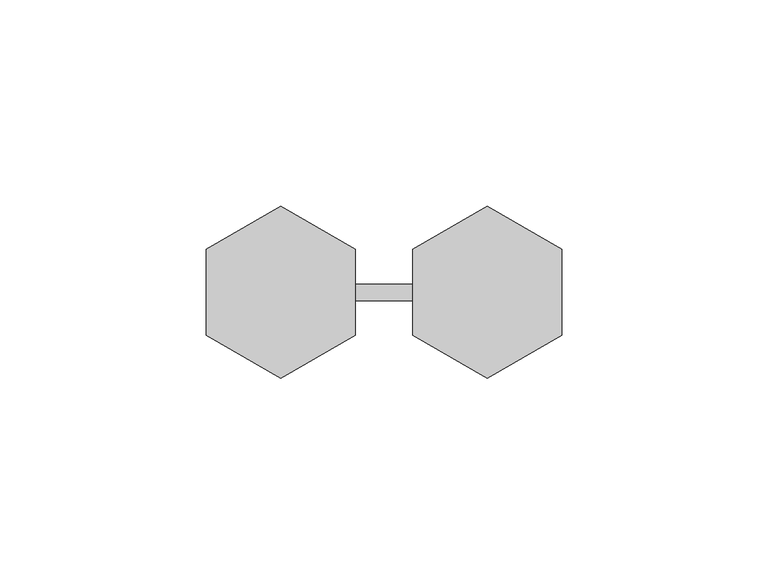
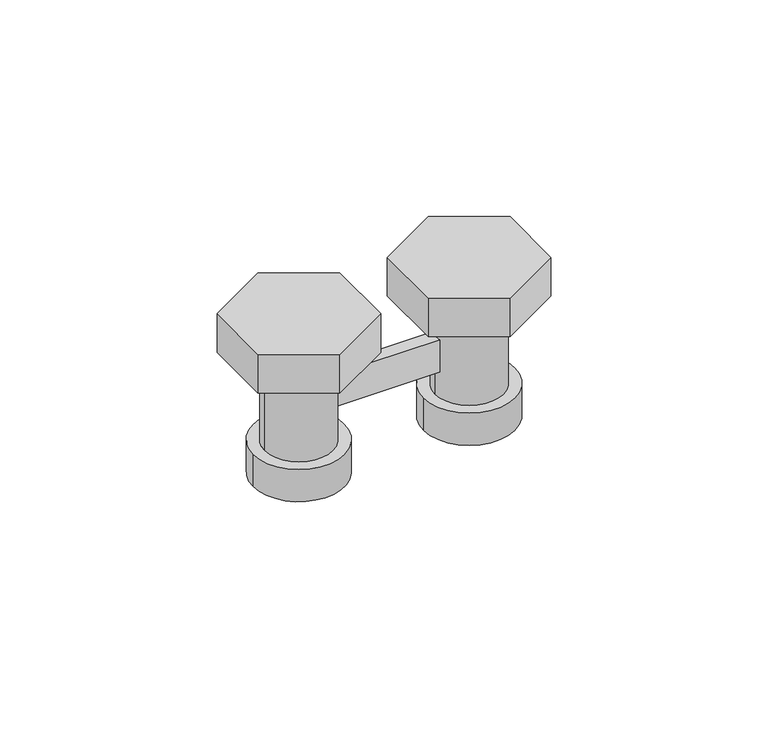
"""IFC4 building model written with IfcOpenShell, lengths in millimetres: proxy geometry."""

import ifcopenshell
import ifcopenshell.guid

model = None  # the IFC model being written
_history = None  # IfcOwnerHistory: only IFC2X3 demands one
_inside = {}  # id of a spatial element -> (the spatial element, [elements in it])
_under = {}  # id of a project, library or spatial element -> (it, [spatial elements below it])
_declared = {}  # id of a project -> (the project, [libraries it declares])
_typed = {}  # id of a type object -> (the type object, [elements of that type])
_made_of = {}  # id of a material, layer set ... -> (it, [elements and type objects made of it])


def new_model(schema):
    """Start an empty IFC model of exactly this schema.

    Asked for "IFC4X3", IfcOpenShell would pick the latest addendum, in which some entities
    have other attributes; the version numbers below select the first issue.
    IFC2X3 requires an IfcOwnerHistory on every rooted entity: one is made here for all.
    """
    global model, _history
    if schema == "IFC4X3":
        model = ifcopenshell.file(schema_version=(4, 3, 0, 0))
    else:
        model = ifcopenshell.file(schema=schema)
    _inside.clear()
    _under.clear()
    _declared.clear()
    _typed.clear()
    _made_of.clear()
    _history = None
    if model.schema == "IFC2X3":
        org = make("IfcOrganization", Name="unknown")
        user = make(
            "IfcPersonAndOrganization",
            ThePerson=make("IfcPerson", FamilyName="unknown"),
            TheOrganization=org,
        )
        app = make(
            "IfcApplication",
            ApplicationDeveloper=org,
            Version="unknown",
            ApplicationFullName="unknown",
            ApplicationIdentifier="unknown",
        )
        _history = make(
            "IfcOwnerHistory",
            OwningUser=user,
            OwningApplication=app,
            ChangeAction="ADDED",
            CreationDate=0,
        )
    return model


def make(cls, **values):
    """One entity of the class cls with the attributes given. An attribute that is None is left unset."""
    return model.create_entity(
        cls, **{name: value for name, value in values.items() if value is not None}
    )


def rooted(cls, **values):
    """An entity with a GlobalId (a new one), such as an element, a storey or a relation."""
    return make(cls, GlobalId=ifcopenshell.guid.new(), OwnerHistory=_history, **values)


def si_unit(unit_type, name, prefix=None):
    """IfcSIUnit, for example si_unit("LENGTHUNIT", "METRE", prefix="MILLI")."""
    return make("IfcSIUnit", UnitType=unit_type, Prefix=prefix, Name=name)


def assignment(units):
    """IfcUnitAssignment: the units of a project."""
    return None if units is None else make("IfcUnitAssignment", Units=units)


def point(xyz):
    """IfcCartesianPoint."""
    return None if xyz is None else make("IfcCartesianPoint", Coordinates=xyz)


def direction(xyz):
    """IfcDirection."""
    return None if xyz is None else make("IfcDirection", DirectionRatios=xyz)


def frame(location, z_axis=None, x_axis=None):
    """IfcAxis2Placement3D, a coordinate frame: its origin and axes. An axis left out is left unset."""
    return make(
        "IfcAxis2Placement3D",
        Location=point(location),
        Axis=direction(z_axis),
        RefDirection=direction(x_axis),
    )


def origin():
    """The frame at (0, 0, 0) with its axes left unset."""
    return frame((0.0, 0.0, 0.0))


def origin_with_axes():
    """The frame at (0, 0, 0) with the z axis (0, 0, 1) and the x axis (1, 0, 0) written out."""
    return frame((0.0, 0.0, 0.0), z_axis=(0.0, 0.0, 1.0), x_axis=(1.0, 0.0, 0.0))


def place(relative_to, where):
    """IfcLocalPlacement: puts the frame where relative to a parent placement (None: the world)."""
    return make(
        "IfcLocalPlacement", PlacementRelTo=relative_to, RelativePlacement=where
    )


def context(
    kind, dimensions, precision=None, world=None, true_north=None, identifier=None
):
    """IfcGeometricRepresentationContext, for example the 3D "Model" context."""
    return make(
        "IfcGeometricRepresentationContext",
        ContextIdentifier=identifier,
        ContextType=kind,
        CoordinateSpaceDimension=dimensions,
        Precision=precision,
        WorldCoordinateSystem=world,
        TrueNorth=true_north,
    )


def project(units=None, contexts=None):
    """IfcProject with its units and contexts."""
    return rooted(
        "IfcProject",
        Name="project",
        RepresentationContexts=contexts,
        UnitsInContext=assignment(units),
    )


def spatial(cls, under=None, at=None, **own):
    """A site, building, storey or space (cls), placed at a placement, below another one or the project."""
    s = rooted(cls, ObjectPlacement=at, **own)
    if under is not None:
        _under.setdefault(under.id(), (under, []))[1].append(s)
    return s


def circle_curve(where, radius):
    """IfcCircle in the frame where."""
    return make("IfcCircle", Position=where, Radius=radius)


def shape(context_of_items, identifier, shape_type, items):
    """IfcShapeRepresentation: the items that make up one representation, for example the "Body"."""
    return make(
        "IfcShapeRepresentation",
        ContextOfItems=context_of_items,
        RepresentationIdentifier=identifier,
        RepresentationType=shape_type,
        Items=items,
    )


def source(mapping_origin, context_of_items, identifier, shape_type, items):
    """IfcRepresentationMap: a shape defined once, which mapped items show again and again."""
    return make(
        "IfcRepresentationMap",
        MappingOrigin=mapping_origin,
        MappedRepresentation=shape(context_of_items, identifier, shape_type, items),
    )


def transform(
    local_origin,
    x_axis=None,
    y_axis=None,
    z_axis=None,
    scale=None,
    scale2=None,
    scale3=None,
    uniform=True,
):
    """IfcCartesianTransformationOperator3D, or its non-uniform kind. x_axis, y_axis, z_axis: its Axis1, 2, 3."""
    if uniform:
        return make(
            "IfcCartesianTransformationOperator3D",
            Axis1=direction(x_axis),
            Axis2=direction(y_axis),
            LocalOrigin=point(local_origin),
            Scale=scale,
            Axis3=direction(z_axis),
        )
    return make(
        "IfcCartesianTransformationOperator3DnonUniform",
        Axis1=direction(x_axis),
        Axis2=direction(y_axis),
        LocalOrigin=point(local_origin),
        Scale=scale,
        Axis3=direction(z_axis),
        Scale2=scale2,
        Scale3=scale3,
    )


def mapped(mapping_source, mapping_target):
    """IfcMappedItem: shows the shape of a source again, moved by a transform."""
    return make(
        "IfcMappedItem", MappingSource=mapping_source, MappingTarget=mapping_target
    )


def made_of(thing, what):
    """Note that an element or type object is made of a material, layer set ...; save() writes the relation."""
    if what is not None:
        _made_of.setdefault(what.id(), (what, []))[1].append(thing)
    return thing


def element(
    cls,
    number,
    at=None,
    inside=None,
    cuts=None,
    type_object=None,
    material=None,
    context=None,
    identifier="Body",
    shape_type=None,
    held_by="IfcProductDefinitionShape",
    body=None,
    shapes=None,
    **own,
):
    """One element of the class cls, such as IfcWall. Its Tag is "e" and its number.

    at: its placement. inside: the storey or other place that contains it. cuts: it is an
    opening in that element (IfcRelVoidsElement). A single representation is given by context,
    identifier, shape_type and body (its items); several are given by shapes. held_by: the class
    of the entity that holds the representations. save() writes the other relations.
    """
    e = rooted(cls, Tag="e%d" % number, ObjectPlacement=at, **own)
    if body is not None:
        shapes = [shape(context, identifier, shape_type, body)]
    if shapes is not None:
        e.Representation = make(held_by, Representations=shapes)
    if inside is not None:
        _inside.setdefault(inside.id(), (inside, []))[1].append(e)
    if cuts is not None:
        rooted(
            "IfcRelVoidsElement", RelatingBuildingElement=cuts, RelatedOpeningElement=e
        )
    if type_object is not None:
        _typed.setdefault(type_object.id(), (type_object, []))[1].append(e)
    return made_of(e, material)


def aggregate(whole, parts):
    """IfcRelAggregates: a whole, such as a stair, and the parts it consists of."""
    return rooted("IfcRelAggregates", RelatingObject=whole, RelatedObjects=parts)


def save(model, path):
    """Write the relations noted so far, then the file.

    IfcRelAggregates (storeys below a building ...), IfcRelContainedInSpatialStructure (elements
    in a storey), IfcRelDefinesByType, IfcRelAssociatesMaterial and IfcRelDeclares: one each for
    every whole, place, type object, material and project.
    """
    for whole, parts in _under.values():
        aggregate(whole, parts)
    for where, things in _inside.values():
        rooted(
            "IfcRelContainedInSpatialStructure",
            RelatedElements=things,
            RelatingStructure=where,
        )
    for kind, things in _typed.values():
        rooted("IfcRelDefinesByType", RelatedObjects=things, RelatingType=kind)
    for what, things in _made_of.values():
        rooted("IfcRelAssociatesMaterial", RelatedObjects=things, RelatingMaterial=what)
    for by, libraries in _declared.values():
        rooted("IfcRelDeclares", RelatingContext=by, RelatedDefinitions=libraries)
    model.write(path)


def plane_surface(at):
    """IfcPlane: the flat surface through the origin of the frame at, square to its z axis."""
    return make("IfcPlane", Position=at)


def cylinder_surface(at, radius):
    """IfcCylindricalSurface: all points at the distance radius from the z axis of the frame at."""
    return make("IfcCylindricalSurface", Position=at, Radius=radius)


def advanced_brep(points, edges, surfaces, faces):
    """IfcAdvancedBrep: a solid bounded by faces that lie on surfaces and meet in shared edges.

    An edge is (start, end): straight between two places in points (the first is 0);
    or (start, end, curve); or (start, end, curve, False) where it runs against its curve.
    A face is (place in surfaces, loops), or (place, loops, False) where it looks against
    its surface's normal. A loop lists edges by number (the first is 1), with a minus sign
    where the edge is run from its end to its start. The first loop is the outer one.
    """
    corners = [point(p) for p in points]
    vertices = [make("IfcVertexPoint", VertexGeometry=c) for c in corners]
    made = []
    for start, end, *more in edges:
        made.append(
            make(
                "IfcEdgeCurve",
                EdgeStart=vertices[start],
                EdgeEnd=vertices[end],
                EdgeGeometry=more[0] if more else make("IfcPolyline", Points=[corners[start], corners[end]]),
                SameSense=more[1] if len(more) > 1 else True,
            )
        )
    hull = []
    for where, loops, *sense in faces:
        bounds = []
        for j, loop in enumerate(loops):
            ring = [make("IfcOrientedEdge", EdgeElement=made[abs(k) - 1], Orientation=k > 0) for k in loop]
            bounds.append(
                make(
                    "IfcFaceOuterBound" if j == 0 else "IfcFaceBound",
                    Bound=make("IfcEdgeLoop", EdgeList=ring),
                    Orientation=True,
                )
            )
        hull.append(make("IfcAdvancedFace", Bounds=bounds, FaceSurface=surfaces[where], SameSense=sense[0] if sense else True))
    return make("IfcAdvancedBrep", Outer=make("IfcClosedShell", CfsFaces=hull))


def mechanical_equipment_c92f3f15(model_context):
    return source(origin(), model_context, "Body", "AdvancedBrep", [
        advanced_brep(
        [(40.202041, -2.0, 28.0), (9.797959, -2.0, 28.0), (9.797959, -2.0, 18.0), (40.202041, -2.0, 18.0), (10.0, 0.0, 18.0), (9.797959, 2.0, 18.0), (40.202041, 2.0, 18.0), (40.0, 0.0, 18.0), (9.797959, 2.0, 28.0), (40.202041, 2.0, 28.0), (40.0, 0.0, 28.0), (10.0, 0.0, 28.0), (0.0, -20.7846097, 49.0), (18.0, -10.3923048, 49.0), (18.0, 10.3923048, 49.0), (0.0, 20.7846097, 49.0), (-18.0, 10.3923048, 49.0), (-18.0, -10.3923048, 49.0), (50.0, -20.7846097, 49.0), (68.0, -10.3923048, 49.0), (68.0, 10.3923048, 49.0), (50.0, 20.7846097, 49.0), (32.0, 10.3923048, 49.0), (32.0, -10.3923048, 49.0), (-13.4, 0.0, 0.0), (13.4, 0.0, 0.0), (36.6, 0.0, 0.0), (63.4, 0.0, 0.0), (10.0, 0.0, 37.0), (-10.0, 0.0, 37.0), (-10.0, 0.0, 10.0), (10.0, 0.0, 10.0), (40.0, 0.0, 10.0), (60.0, 0.0, 10.0), (60.0, 0.0, 37.0), (40.0, 0.0, 37.0), (-13.4, 0.0, 10.0), (13.4, 0.0, 10.0), (36.6, 0.0, 10.0), (63.4, 0.0, 10.0), (0.0, -20.7846097, 37.0), (-18.0, -10.3923048, 37.0), (-18.0, 10.3923048, 37.0), (0.0, 20.7846097, 37.0), (18.0, 10.3923048, 37.0), (18.0, -10.3923048, 37.0), (50.0, -20.7846097, 37.0), (32.0, -10.3923048, 37.0), (32.0, 10.3923048, 37.0), (50.0, 20.7846097, 37.0), (68.0, 10.3923048, 37.0), (68.0, -10.3923048, 37.0)],
        [
            (0, 1),
            (1, 2),
            (2, 3),
            (3, 0),
            (2, 4, circle_curve(frame((0.0, 0.0, 18.0), z_axis=(0.0, 0.0, 1.0), x_axis=(1.0, 0.0, 0.0)), 10.0)),
            (4, 5, circle_curve(frame((0.0, 0.0, 18.0), z_axis=(0.0, 0.0, 1.0), x_axis=(1.0, 0.0, 0.0)), 10.0)),
            (5, 6),
            (6, 7, circle_curve(frame((50.0, 0.0, 18.0), z_axis=(0.0, 0.0, 1.0), x_axis=(1.0, 0.0, 0.0)), 10.0)),
            (7, 3, circle_curve(frame((50.0, 0.0, 18.0), z_axis=(0.0, 0.0, 1.0), x_axis=(1.0, 0.0, 0.0)), 10.0)),
            (5, 8),
            (8, 9),
            (9, 6),
            (0, 10, circle_curve(frame((50.0, 0.0, 28.0), z_axis=(0.0, 0.0, -1.0), x_axis=(1.0, 0.0, 0.0)), 10.0)),
            (10, 9, circle_curve(frame((50.0, 0.0, 28.0), z_axis=(0.0, 0.0, -1.0), x_axis=(1.0, 0.0, 0.0)), 10.0)),
            (8, 11, circle_curve(frame((0.0, 0.0, 28.0), z_axis=(0.0, 0.0, -1.0), x_axis=(1.0, 0.0, 0.0)), 10.0)),
            (11, 1, circle_curve(frame((0.0, 0.0, 28.0), z_axis=(0.0, 0.0, -1.0), x_axis=(1.0, 0.0, 0.0)), 10.0)),
            (12, 13),
            (13, 14),
            (14, 15),
            (15, 16),
            (16, 17),
            (17, 12),
            (18, 19),
            (19, 20),
            (20, 21),
            (21, 22),
            (22, 23),
            (23, 18),
            (24, 25, circle_curve(frame((0.0, 0.0, 0.0), z_axis=(0.0, 0.0, -1.0), x_axis=(1.0, 0.0, 0.0)), 13.4)),
            (25, 24, circle_curve(frame((0.0, 0.0, 0.0), z_axis=(0.0, 0.0, -1.0), x_axis=(1.0, 0.0, 0.0)), 13.4)),
            (26, 27, circle_curve(frame((50.0, 0.0, 0.0), z_axis=(0.0, 0.0, -1.0), x_axis=(1.0, 0.0, 0.0)), 13.4)),
            (27, 26, circle_curve(frame((50.0, 0.0, 0.0), z_axis=(0.0, 0.0, -1.0), x_axis=(1.0, 0.0, 0.0)), 13.4)),
            (11, 28),
            (28, 29, circle_curve(frame((0.0, 0.0, 37.0), z_axis=(0.0, 0.0, -1.0), x_axis=(1.0, 0.0, 0.0)), 10.0)),
            (29, 30),
            (30, 31, circle_curve(frame((0.0, 0.0, 10.0), z_axis=(0.0, 0.0, 1.0), x_axis=(1.0, 0.0, 0.0)), 10.0)),
            (31, 4),
            (31, 30, circle_curve(frame((0.0, 0.0, 10.0), z_axis=(0.0, 0.0, 1.0), x_axis=(1.0, 0.0, 0.0)), 10.0)),
            (29, 28, circle_curve(frame((0.0, 0.0, 37.0), z_axis=(0.0, 0.0, -1.0), x_axis=(1.0, 0.0, 0.0)), 10.0)),
            (7, 32),
            (32, 33, circle_curve(frame((50.0, 0.0, 10.0), z_axis=(0.0, 0.0, 1.0), x_axis=(1.0, 0.0, 0.0)), 10.0)),
            (33, 34),
            (34, 35, circle_curve(frame((50.0, 0.0, 37.0), z_axis=(0.0, 0.0, -1.0), x_axis=(1.0, 0.0, 0.0)), 10.0)),
            (35, 10),
            (35, 34, circle_curve(frame((50.0, 0.0, 37.0), z_axis=(0.0, 0.0, -1.0), x_axis=(1.0, 0.0, 0.0)), 10.0)),
            (33, 32, circle_curve(frame((50.0, 0.0, 10.0), z_axis=(0.0, 0.0, 1.0), x_axis=(1.0, 0.0, 0.0)), 10.0)),
            (36, 37, circle_curve(frame((0.0, 0.0, 10.0), z_axis=(0.0, 0.0, 1.0), x_axis=(1.0, 0.0, 0.0)), 13.4)),
            (37, 36, circle_curve(frame((0.0, 0.0, 10.0), z_axis=(0.0, 0.0, 1.0), x_axis=(1.0, 0.0, 0.0)), 13.4)),
            (38, 39, circle_curve(frame((50.0, 0.0, 10.0), z_axis=(0.0, 0.0, 1.0), x_axis=(1.0, 0.0, 0.0)), 13.4)),
            (39, 38, circle_curve(frame((50.0, 0.0, 10.0), z_axis=(0.0, 0.0, 1.0), x_axis=(1.0, 0.0, 0.0)), 13.4)),
            (36, 24),
            (25, 37),
            (38, 26),
            (27, 39),
            (40, 41),
            (41, 42),
            (42, 43),
            (43, 44),
            (44, 45),
            (45, 40),
            (46, 47),
            (47, 48),
            (48, 49),
            (49, 50),
            (50, 51),
            (51, 46),
            (12, 40),
            (45, 13),
            (44, 14),
            (43, 15),
            (42, 16),
            (41, 17),
            (18, 46),
            (51, 19),
            (50, 20),
            (49, 21),
            (48, 22),
            (47, 23),
        ],
        [
            plane_surface(frame((50.0, -2.0, 28.0), z_axis=(0.0, -1.0, 0.0), x_axis=(-1.0, 0.0, 0.0))),
            plane_surface(frame((50.0, -2.0, 18.0), z_axis=(0.0, 0.0, -1.0), x_axis=(-1.0, 0.0, 0.0))),
            plane_surface(frame((50.0, 2.0, 18.0), z_axis=(0.0, 1.0, 0.0), x_axis=(-1.0, 0.0, 0.0))),
            plane_surface(frame((50.0, 2.0, 28.0), z_axis=(0.0, 0.0, 1.0), x_axis=(-1.0, 0.0, 0.0))),
            plane_surface(frame((10.0, 0.0, 49.0), z_axis=(0.0, 0.0, 1.0), x_axis=(0.0, 1.0, 0.0))),
            plane_surface(frame((10.0, 0.0, 0.0), z_axis=(0.0, 0.0, -1.0), x_axis=(0.0, -1.0, 0.0))),
            cylinder_surface(origin_with_axes(), 10.0),
            cylinder_surface(frame((50.0, 0.0, 0.0), z_axis=(0.0, 0.0, 1.0), x_axis=(1.0, 0.0, 0.0)), 10.0),
            plane_surface(frame((13.4, 0.0, 10.0), z_axis=(0.0, 0.0, 1.0), x_axis=(0.0, 1.0, 0.0))),
            cylinder_surface(origin_with_axes(), 13.4),
            cylinder_surface(frame((50.0, 0.0, 0.0), z_axis=(0.0, 0.0, 1.0), x_axis=(1.0, 0.0, 0.0)), 13.4),
            plane_surface(frame((0.0, -20.7846097, 37.0), z_axis=(0.0, 0.0, -1.0), x_axis=(-0.8660254037844428, -0.4999999999999929, 0.0))),
            plane_surface(frame((0.0, -20.7846097, 49.0), z_axis=(0.4999999999999929, -0.8660254037844428, 0.0), x_axis=(0.0, 0.0, -1.0))),
            plane_surface(frame((18.0, -10.3923048, 49.0), z_axis=(1.0, 0.0, 0.0), x_axis=(0.0, 0.0, -1.0))),
            plane_surface(frame((18.0, 10.3923048, 49.0), z_axis=(0.5000000000000089, 0.8660254037844336, 0.0), x_axis=(0.0, 0.0, -1.0))),
            plane_surface(frame((0.0, 20.7846097, 49.0), z_axis=(-0.49999999999998973, 0.8660254037844446, 0.0), x_axis=(0.0, 0.0, -1.0))),
            plane_surface(frame((-18.0, 10.3923048, 49.0), z_axis=(-1.0, 0.0, 0.0), x_axis=(0.0, 0.0, -1.0))),
            plane_surface(frame((-18.0, -10.3923048, 49.0), z_axis=(-0.5000000000000066, -0.8660254037844349, 0.0), x_axis=(0.0, 0.0, -1.0))),
            plane_surface(frame((50.0, -20.7846097, 49.0), z_axis=(0.49999999999999295, -0.8660254037844428, 0.0), x_axis=(0.0, 0.0, -1.0))),
            plane_surface(frame((68.0, -10.3923048, 49.0), z_axis=(1.0, 0.0, 0.0), x_axis=(0.0, 0.0, -1.0))),
            plane_surface(frame((68.0, 10.3923048, 49.0), z_axis=(0.5000000000000091, 0.8660254037844335, 0.0), x_axis=(0.0, 0.0, -1.0))),
            plane_surface(frame((50.0, 20.7846097, 49.0), z_axis=(-0.4999999999999896, 0.8660254037844446, 0.0), x_axis=(0.0, 0.0, -1.0))),
            plane_surface(frame((32.0, 10.3923048, 49.0), z_axis=(-1.0, 0.0, 0.0), x_axis=(0.0, 0.0, -1.0))),
            plane_surface(frame((32.0, -10.3923048, 49.0), z_axis=(-0.5000000000000064, -0.8660254037844349, 0.0), x_axis=(0.0, 0.0, -1.0))),
        ],
        [
            (0, [[1, 2, 3, 4]]),
            (1, [[-3, 5, 6, 7, 8, 9]]),
            (2, [[-7, 10, 11, 12]]),
            (3, [[-1, 13, 14, -11, 15, 16]]),
            (4, [[17, 18, 19, 20, 21, 22]]),
            (4, [[23, 24, 25, 26, 27, 28]]),
            (5, [[29, 30]]),
            (5, [[31, 32]]),
            (6, [[-2, -16, 33, 34, 35, 36, 37, -5]]),
            (6, [[-6, -37, 38, -35, 39, -33, -15, -10]]),
            (7, [[-4, -9, 40, 41, 42, 43, 44, -13]]),
            (7, [[-8, -12, -14, -44, 45, -42, 46, -40]]),
            (8, [[47, 48], [-36, -38]]),
            (8, [[49, 50], [-41, -46]]),
            (9, [[-47, 51, -30, 52]]),
            (9, [[-48, -52, -29, -51]]),
            (10, [[-49, 53, -32, 54]]),
            (10, [[-50, -54, -31, -53]]),
            (11, [[55, 56, 57, 58, 59, 60], [-34, -39]]),
            (11, [[61, 62, 63, 64, 65, 66], [-43, -45]]),
            (12, [[-17, 67, -60, 68]]),
            (13, [[-18, -68, -59, 69]]),
            (14, [[-19, -69, -58, 70]]),
            (15, [[-20, -70, -57, 71]]),
            (16, [[-21, -71, -56, 72]]),
            (17, [[-22, -72, -55, -67]]),
            (18, [[-23, 73, -66, 74]]),
            (19, [[-24, -74, -65, 75]]),
            (20, [[-25, -75, -64, 76]]),
            (21, [[-26, -76, -63, 77]]),
            (22, [[-27, -77, -62, 78]]),
            (23, [[-28, -78, -61, -73]]),
        ],
    ),
    ])


if __name__ == "__main__":
    model = new_model("IFC4")
    model_context = context("Model", 3, world=origin())
    ifc_project = project(units=[si_unit("LENGTHUNIT", "METRE", prefix="MILLI")], contexts=[model_context])
    site = spatial("IfcSite", under=ifc_project)
    building = spatial("IfcBuilding", under=site)
    placement = place(None, origin())
    mechanical_equipment_shape = mechanical_equipment_c92f3f15(model_context)
    element("IfcBuildingElementProxy", 1, Name="Mechanical Equipment", at=placement, inside=building, context=model_context, shape_type="MappedRepresentation", body=[
        mapped(mechanical_equipment_shape, transform((0.0, 0.0, 0.0), x_axis=(1.0, 0.0, 0.0), y_axis=(0.0, 1.0, 0.0), z_axis=(0.0, 0.0, 1.0))),
    ])
    save(model, "model.ifc")
